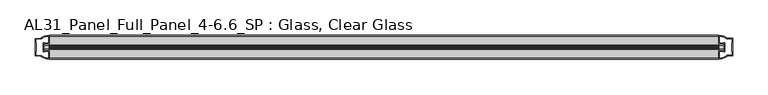
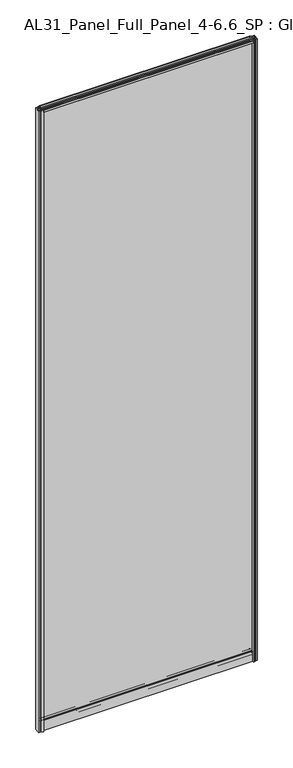
"""IFC4 building model written with IfcOpenShell, lengths in millimetres: plate geometry, AL31_Panel_Full_Panel_4-6.6_SP : Glass, Clear Glass."""

from ifc_helpers import new_model, si_unit, point, frame, frame_2d, origin, origin_with_axes, place, context, project, spatial, polyline, circle_curve, trimmed, segment, composite_curve, outline, extrude, source, transform, mapped, element, save


def al31_panel_full_panel_4_6_6_sp_glass_clear_glass_d93e942b(model_context):
    return source(origin(), model_context, "Body", "SweptSolid", [
        extrude(outline(composite_curve([segment(trimmed(circle_curve(frame_2d((-0.1, 2966.3)), 3.0), [point((1.4, 2968.8980762))], [point((2.3718414, 2964.6))], False, "CARTESIAN"), True, "CONTINUOUS"), segment(polyline([(2.3718414, 2964.6), (15.7, 2964.6), (15.7, 2974.0), (17.0, 2974.0), (17.0, 2963.5), (6.7024688, 2963.5), (6.7024688, 2962.7), (6.1968782, 2960.7785039), (6.1968782, 2956.1), (5.0, 2956.1), (5.0, 2961.4339746), (5.5, 2962.3), (5.5, 2963.5), (-5.5, 2963.5), (-5.5, 2962.3), (-5.0, 2961.4339746), (-5.0, 2956.1), (-6.1968782, 2956.1), (-6.1968782, 2960.7785039), (-6.7024688, 2962.7), (-6.7024688, 2963.5), (-17.0, 2963.5), (-17.0, 2974.0), (-15.7, 2974.0), (-15.7, 2964.6), (-2.5718414, 2964.6)]), True, "CONTINUOUS"), segment(trimmed(circle_curve(frame_2d((-0.1, 2966.3)), 3.0), [point((-2.5718414, 2964.6))], [point((-1.6, 2968.8980762))], False, "CARTESIAN"), True, "CONTINUOUS"), segment(polyline([(-1.6, 2968.8980762), (-1.05, 2967.9454483)]), True, "CONTINUOUS"), segment(trimmed(circle_curve(frame_2d((-0.1, 2966.3)), 1.9), [point((-1.05, 2967.9454483))], [point((0.85, 2967.9454483))], True, "CARTESIAN"), True, "CONTINUOUS"), segment(polyline([(0.85, 2967.9454483), (1.4, 2968.8980762)]), True, "CONTINUOUS")], self_intersect=False)), frame((-475.0, 0.0, 0.0), z_axis=(1.0, 0.0, 0.0), x_axis=(0.0, 1.0, 0.0)), (0.0, 0.0, 1.0), 950.0),
        extrude(outline(composite_curve([segment(polyline([(-482.8414214, 5.9), (-482.8414214, -5.9), (-481.6414214, -5.9), (-481.6414214, -5.0), (-475.0, -5.0), (-475.0, -17.0003314)]), True, "CONTINUOUS"), segment(trimmed(circle_curve(frame_2d((-474.6353484, 2.9963441)), 20.0), [point((-475.0, -17.0003314))], [point((-486.3558352, -13.2095249))], False, "CARTESIAN"), True, "CONTINUOUS"), segment(polyline([(-486.3558352, -13.2095249), (-486.3558352, -12.3720657), (-495.0, -12.3720657), (-495.0, 12.3279343), (-486.3558352, 12.3279343), (-486.3558352, 13.2093388)]), True, "CONTINUOUS"), segment(trimmed(circle_curve(frame_2d((-474.6353484, -2.9965302)), 20.0), [point((-486.3558352, 13.2093388))], [point((-475.0, 17.0001453))], False, "CARTESIAN"), True, "CONTINUOUS"), segment(polyline([(-475.0, 17.0001453), (-475.0, 5.0), (-481.6414214, 5.0), (-481.6414214, 5.9), (-482.8414214, 5.9)]), True, "CONTINUOUS")], self_intersect=False), holes=[composite_curve([segment(polyline([(-481.8414214, -7.2), (-484.1414214, -7.2), (-484.1414214, 7.2), (-481.8414214, 7.2)]), True, "CONTINUOUS"), segment(trimmed(circle_curve(frame_2d((-481.8414214, 5.7)), 1.5), [point((-481.8414214, 7.2))], [point((-480.4662696, 6.2991308))], False, "CARTESIAN"), True, "CONTINUOUS"), segment(polyline([(-480.4662696, 6.2991308), (-476.7414214, 6.2991308), (-476.7414214, 10.8950916), (-476.3020815, 11.9557518), (-476.3020815, 15.6058503)]), True, "CONTINUOUS"), segment(trimmed(circle_curve(frame_2d((-474.6353484, -3.0197235)), 18.7), [point((-476.3020815, 15.6058503))], [point((-484.6421262, 12.7775673))], True, "CARTESIAN"), True, "CONTINUOUS"), segment(trimmed(circle_curve(frame_2d((-486.4414214, 12.8279343)), 1.8), [point((-484.6421262, 12.7775673))], [point((-486.4414214, 11.0279343))], False, "CARTESIAN"), True, "CONTINUOUS"), segment(polyline([(-486.4414214, 11.0279343), (-493.6414214, 11.0279343), (-493.6414214, 6.3879987), (-493.1414214, 5.3950916), (-493.1414214, -5.439223), (-493.5828427, -6.5019606), (-493.5828427, -11.0720657), (-486.4414214, -11.0720657)]), True, "CONTINUOUS"), segment(trimmed(circle_curve(frame_2d((-486.4414214, -12.8720657)), 1.8), [point((-486.4414214, -11.0720657))], [point((-484.6421262, -12.8216987))], False, "CARTESIAN"), True, "CONTINUOUS"), segment(trimmed(circle_curve(frame_2d((-474.6353484, 2.9755921)), 18.7), [point((-484.6421262, -12.8216987))], [point((-476.3020815, -15.6499817))], True, "CARTESIAN"), True, "CONTINUOUS"), segment(polyline([(-476.3020815, -15.6499817), (-476.3020815, -11.9998832), (-476.7414214, -10.939223), (-476.7414214, -6.3428731), (-480.4861671, -6.3428731)]), True, "CONTINUOUS"), segment(trimmed(circle_curve(frame_2d((-481.8414214, -5.7)), 1.5), [point((-480.4861671, -6.3428731))], [point((-481.8414214, -7.2))], False, "CARTESIAN"), True, "CONTINUOUS")], self_intersect=False)]), origin_with_axes(), (0.0, 0.0, 1.0), 2974.0),
        extrude(outline(composite_curve([segment(polyline([(482.8414214, -5.9), (482.8414214, 5.9), (481.6414214, 5.9), (481.6414214, 5.0), (475.0, 5.0), (475.0, 17.0003314)]), True, "CONTINUOUS"), segment(trimmed(circle_curve(frame_2d((474.6353484, -2.9963441)), 20.0), [point((475.0, 17.0003314))], [point((486.3558352, 13.2095249))], False, "CARTESIAN"), True, "CONTINUOUS"), segment(polyline([(486.3558352, 13.2095249), (486.3558352, 12.3720657), (495.0, 12.3720657), (495.0, -12.3279343), (486.3558352, -12.3279343), (486.3558352, -13.2093388)]), True, "CONTINUOUS"), segment(trimmed(circle_curve(frame_2d((474.6353484, 2.9965302)), 20.0), [point((486.3558352, -13.2093388))], [point((475.0, -17.0001453))], False, "CARTESIAN"), True, "CONTINUOUS"), segment(polyline([(475.0, -17.0001453), (475.0, -5.0), (481.6414214, -5.0), (481.6414214, -5.9), (482.8414214, -5.9)]), True, "CONTINUOUS")], self_intersect=False), holes=[composite_curve([segment(polyline([(481.8414214, 7.2), (484.1414214, 7.2), (484.1414214, -7.2), (481.8414214, -7.2)]), True, "CONTINUOUS"), segment(trimmed(circle_curve(frame_2d((481.8414214, -5.7)), 1.5), [point((481.8414214, -7.2))], [point((480.4662696, -6.2991308))], False, "CARTESIAN"), True, "CONTINUOUS"), segment(polyline([(480.4662696, -6.2991308), (476.7414214, -6.2991308), (476.7414214, -10.8950916), (476.3020815, -11.9557518), (476.3020815, -15.6058503)]), True, "CONTINUOUS"), segment(trimmed(circle_curve(frame_2d((474.6353484, 3.0197235)), 18.7), [point((476.3020815, -15.6058503))], [point((484.6421262, -12.7775673))], True, "CARTESIAN"), True, "CONTINUOUS"), segment(trimmed(circle_curve(frame_2d((486.4414214, -12.8279343)), 1.8), [point((484.6421262, -12.7775673))], [point((486.4414214, -11.0279343))], False, "CARTESIAN"), True, "CONTINUOUS"), segment(polyline([(486.4414214, -11.0279343), (493.6414214, -11.0279343), (493.6414214, -6.3879987), (493.1414214, -5.3950916), (493.1414214, 5.439223), (493.5828427, 6.5019606), (493.5828427, 11.0720657), (486.4414214, 11.0720657)]), True, "CONTINUOUS"), segment(trimmed(circle_curve(frame_2d((486.4414214, 12.8720657)), 1.8), [point((486.4414214, 11.0720657))], [point((484.6421262, 12.8216987))], False, "CARTESIAN"), True, "CONTINUOUS"), segment(trimmed(circle_curve(frame_2d((474.6353484, -2.9755921)), 18.7), [point((484.6421262, 12.8216987))], [point((476.3020815, 15.6499817))], True, "CARTESIAN"), True, "CONTINUOUS"), segment(polyline([(476.3020815, 15.6499817), (476.3020815, 11.9998832), (476.7414214, 10.939223), (476.7414214, 6.3428731), (480.4861671, 6.3428731)]), True, "CONTINUOUS"), segment(trimmed(circle_curve(frame_2d((481.8414214, 5.7)), 1.5), [point((480.4861671, 6.3428731))], [point((481.8414214, 7.2))], False, "CARTESIAN"), True, "CONTINUOUS")], self_intersect=False)]), origin_with_axes(), (0.0, 0.0, 1.0), 2974.0),
        extrude(outline(composite_curve([segment(polyline([(8.4, 35.8), (-8.4, 35.8)]), True, "CONTINUOUS"), segment(trimmed(circle_curve(frame_2d((-8.4, 34.8)), 1.0), [point((-8.4, 35.8))], [point((-9.4, 34.8))], True, "CARTESIAN"), True, "CONTINUOUS"), segment(polyline([(-9.4, 34.8), (-9.4, 33.5), (-4.9999697, 33.5), (-4.9999697, 32.3), (-9.4, 32.3), (-9.4, 0.0), (-10.6, 0.0), (-10.6, 47.3)]), True, "CONTINUOUS"), segment(trimmed(circle_curve(frame_2d((-8.6, 47.3)), 2.0), [point((-10.6, 47.3))], [point((-8.6, 49.3))], False, "CARTESIAN"), True, "CONTINUOUS"), segment(polyline([(-8.6, 49.3), (-5.0, 49.3), (-5.0, 41.9), (5.0, 41.9), (5.0, 49.3), (8.6, 49.3)]), True, "CONTINUOUS"), segment(trimmed(circle_curve(frame_2d((8.6, 47.3)), 2.0), [point((8.6, 49.3))], [point((10.6, 47.3))], False, "CARTESIAN"), True, "CONTINUOUS"), segment(polyline([(10.6, 47.3), (10.6, 0.0), (9.4, 0.0), (9.4, 32.3), (5.0000303, 32.3), (5.0000303, 33.5), (9.4, 33.5), (9.4, 34.8)]), True, "CONTINUOUS"), segment(trimmed(circle_curve(frame_2d((8.4, 34.8)), 1.0), [point((9.4, 34.8))], [point((8.4, 35.8))], True, "CARTESIAN"), True, "CONTINUOUS")], self_intersect=False), holes=[composite_curve([segment(polyline([(-6.5024688, 41.8), (-6.5024688, 42.9)]), True, "CONTINUOUS"), segment(trimmed(circle_curve(frame_2d((-5.3024688, 42.9)), 1.2), [point((-6.5024688, 42.9))], [point((-6.1198184, 43.7786009))], False, "CARTESIAN"), True, "CONTINUOUS"), segment(polyline([(-6.1198184, 43.7786009), (-6.1198184, 48.2), (-8.4, 48.2)]), True, "CONTINUOUS"), segment(trimmed(circle_curve(frame_2d((-8.4, 47.2)), 1.0), [point((-8.4, 48.2))], [point((-9.4, 47.2))], True, "CARTESIAN"), True, "CONTINUOUS"), segment(polyline([(-9.4, 47.2), (-9.4, 37.04), (-2.8008965, 37.04), (-2.8008965, 38.0725806), (-1.8370508, 38.0725806)]), True, "CONTINUOUS"), segment(trimmed(circle_curve(frame_2d((0.0, 39.1)), 2.1048387), [point((-1.8370508, 38.0725806))], [point((1.8370508, 38.0725806))], True, "CARTESIAN"), True, "CONTINUOUS"), segment(polyline([(1.8370508, 38.0725806), (2.8008965, 38.0725806), (2.8008965, 37.04), (9.4, 37.04), (9.4, 47.2)]), True, "CONTINUOUS"), segment(trimmed(circle_curve(frame_2d((8.4, 47.2)), 1.0), [point((9.4, 47.2))], [point((8.4, 48.2))], True, "CARTESIAN"), True, "CONTINUOUS"), segment(polyline([(8.4, 48.2), (6.1198184, 48.2), (6.1198184, 43.5786009)]), True, "CONTINUOUS"), segment(trimmed(circle_curve(frame_2d((5.3024688, 42.7)), 1.2), [point((6.1198184, 43.5786009))], [point((6.5024688, 42.7))], False, "CARTESIAN"), True, "CONTINUOUS"), segment(polyline([(6.5024688, 42.7), (6.5024688, 41.8)]), True, "CONTINUOUS"), segment(trimmed(circle_curve(frame_2d((5.5024688, 41.8)), 1.0), [point((6.5024688, 41.8))], [point((5.5024688, 40.8))], False, "CARTESIAN"), True, "CONTINUOUS"), segment(polyline([(5.5024688, 40.8), (2.8008965, 40.8), (2.8008965, 39.7274194), (1.8370508, 39.7274194)]), True, "CONTINUOUS"), segment(trimmed(circle_curve(frame_2d((0.0, 38.7)), 2.1048387), [point((1.8370508, 39.7274194))], [point((-1.8370508, 39.7274194))], True, "CARTESIAN"), True, "CONTINUOUS"), segment(polyline([(-1.8370508, 39.7274194), (-2.8008965, 39.7274194), (-2.8008965, 40.8), (-5.5024688, 40.8)]), True, "CONTINUOUS"), segment(trimmed(circle_curve(frame_2d((-5.5024688, 41.8)), 1.0), [point((-5.5024688, 40.8))], [point((-6.5024688, 41.8))], False, "CARTESIAN"), True, "CONTINUOUS")], self_intersect=False)]), frame((-475.0, 0.0, 0.0), z_axis=(1.0, 0.0, 0.0), x_axis=(0.0, 1.0, 0.0)), (0.0, 0.0, 1.0), 950.0),
        extrude(outline(polyline([(482.8414214, -2.0), (-482.8414214, -2.0), (-482.8414214, 2.0), (482.8414214, 2.0), (482.8414214, -2.0)])), frame((0.0, 0.0, 41.9), z_axis=(0.0, 0.0, 1.0), x_axis=(1.0, 0.0, 0.0)), (0.0, 0.0, 1.0), 2921.6),
    ])


if __name__ == "__main__":
    model = new_model("IFC4")
    model_context = context("Model", 3, world=origin())
    ifc_project = project(units=[si_unit("LENGTHUNIT", "METRE", prefix="MILLI")], contexts=[model_context])
    site = spatial("IfcSite", under=ifc_project)
    building = spatial("IfcBuilding", under=site)
    placement = place(None, origin())
    al31_panel_full_panel_4_6_6_sp_glass_clear_glass_shape = al31_panel_full_panel_4_6_6_sp_glass_clear_glass_d93e942b(model_context)
    element("IfcPlate", 1, ObjectType="AL31_Panel_Full_Panel_4-6.6_SP : Glass, Clear Glass", at=placement, inside=building, context=model_context, shape_type="MappedRepresentation", body=[
        mapped(al31_panel_full_panel_4_6_6_sp_glass_clear_glass_shape, transform((0.0, 0.0, 0.0), x_axis=(1.0, 0.0, 0.0), y_axis=(0.0, 1.0, 0.0), z_axis=(0.0, 0.0, 1.0))),
    ])
    save(model, "model.ifc")
